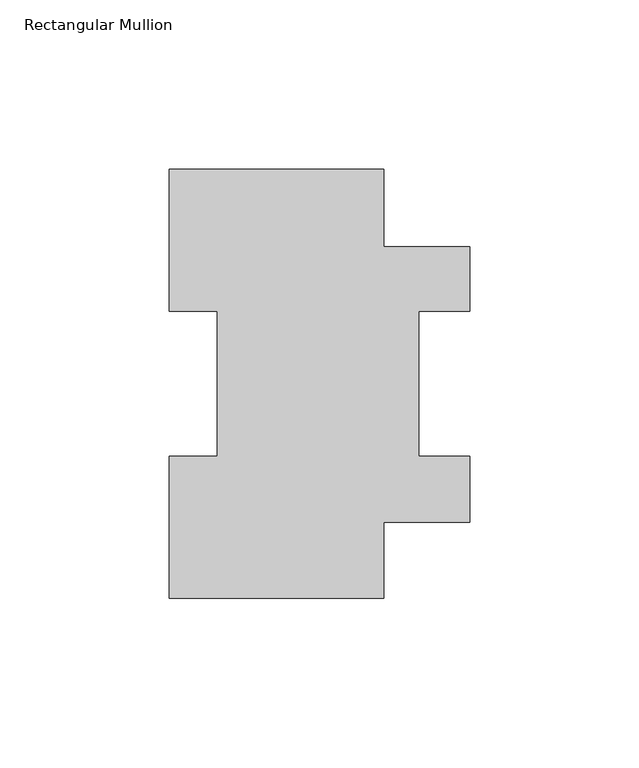
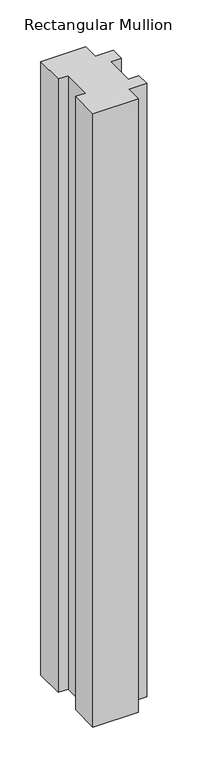
"""IFC4 building model written with IfcOpenShell, lengths in millimetres: member geometry, Rectangular Mullion."""

from ifc_helpers import new_model, si_unit, frame, origin, place, context, project, spatial, polyline, outline, extrude, source, transform, mapped, element, save


def rectangular_mullion_8d7c395e(model_context):
    return source(origin(), model_context, "Body", "SweptSolid", [
        extrude(outline(polyline([(31.75, 127.00635), (31.75, 103.98125), (57.1497287, 103.98125), (57.1497287, 84.93125), (42.0621287, 84.93125), (42.0621287, 42.08145), (57.1497287, 42.08145), (57.1497287, 22.59965), (31.75, 22.59965), (31.75, 0.00635), (-31.7497287, 0.00635), (-31.7497287, 42.08145), (-17.4622287, 42.08145), (-17.4622287, 84.93125), (-31.7502713, 84.93125), (-31.7502713, 127.00635), (31.75, 127.00635)])), frame((0.0, 0.0, -914.4), z_axis=(0.0, 0.0, 1.0), x_axis=(1.0, 0.0, 0.0)), (0.0, 0.0, 1.0), 914.4),
    ])


if __name__ == "__main__":
    model = new_model("IFC4")
    model_context = context("Model", 3, world=origin())
    ifc_project = project(units=[si_unit("LENGTHUNIT", "METRE", prefix="MILLI")], contexts=[model_context])
    site = spatial("IfcSite", under=ifc_project)
    building = spatial("IfcBuilding", under=site)
    placement = place(None, origin())
    rectangular_mullion_shape = rectangular_mullion_8d7c395e(model_context)
    element("IfcMember", 1, ObjectType="Rectangular Mullion", at=placement, inside=building, context=model_context, shape_type="MappedRepresentation", body=[
        mapped(rectangular_mullion_shape, transform((0.0, 0.0, 0.0), x_axis=(1.0, 0.0, 0.0), y_axis=(0.0, 1.0, 0.0), z_axis=(0.0, 0.0, 1.0))),
    ])
    save(model, "model.ifc")
